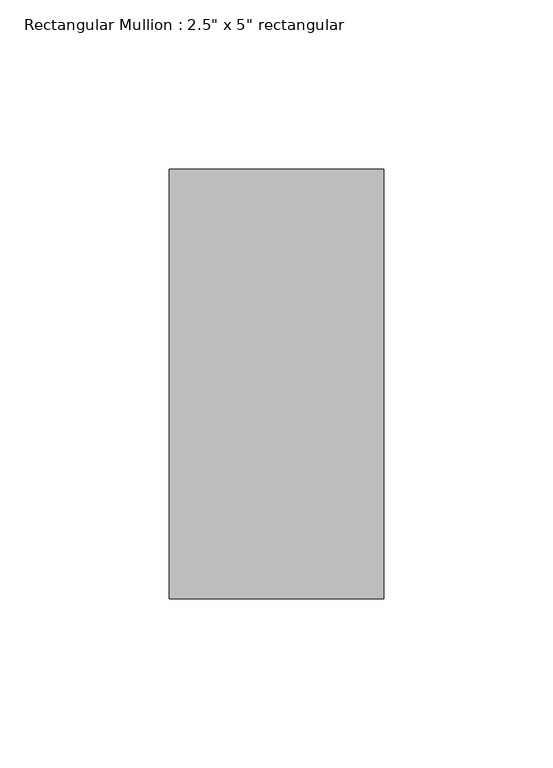
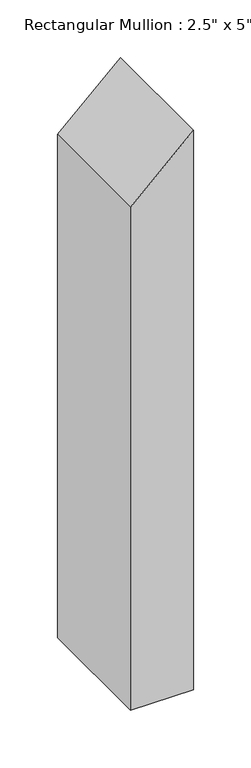
"""IFC4 building model written with IfcOpenShell, lengths in millimetres: member geometry."""

from ifc_helpers import new_model, si_unit, frame, origin, place, context, project, spatial, polyline, outline, extrude, source, transform, mapped, element, save


def member_e79f5f6c(model_context):
    return source(origin(), model_context, "Body", "SweptSolid", [
        extrude(outline(polyline([(0.0, 0.0), (-59.4485784, -63.5), (-593.8928684, -63.5), (-593.8928684, 0.0), (0.0, 0.0)])), frame((0.0, -63.5, 0.0), z_axis=(0.0, 1.0, 0.0), x_axis=(0.0, 0.0, 1.0)), (0.0, 0.0, 1.0), 127.0),
    ])


if __name__ == "__main__":
    model = new_model("IFC4")
    model_context = context("Model", 3, world=origin())
    ifc_project = project(units=[si_unit("LENGTHUNIT", "METRE", prefix="MILLI")], contexts=[model_context])
    site = spatial("IfcSite", under=ifc_project)
    building = spatial("IfcBuilding", under=site)
    placement = place(None, origin())
    member_shape = member_e79f5f6c(model_context)
    element("IfcMember", 1, ObjectType="Rectangular Mullion : 2.5\" x 5\" rectangular", at=placement, inside=building, context=model_context, shape_type="MappedRepresentation", body=[
        mapped(member_shape, transform((0.0, 0.0, 0.0), x_axis=(1.0, 0.0, 0.0), y_axis=(0.0, 1.0, 0.0), z_axis=(0.0, 0.0, 1.0))),
    ])
    save(model, "model.ifc")
